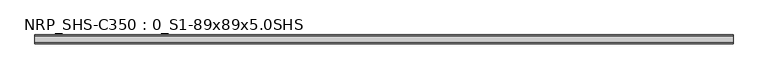
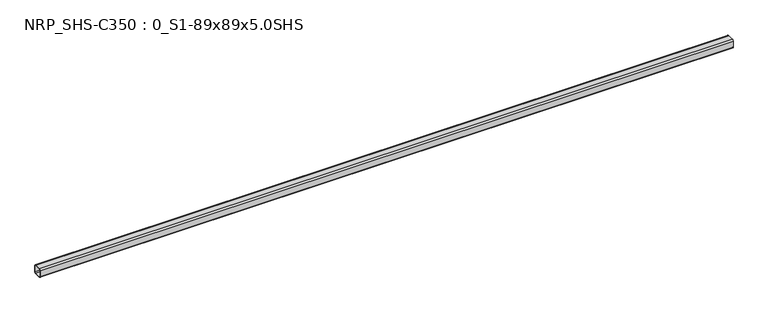
"""IFC4 building model written with IfcOpenShell, lengths in millimetres: beam geometry, NRP_SHS-C350 : 0_S1-89x89x5.0SHS."""

from ifc_helpers import new_model, si_unit, point, frame, frame_2d, origin, place, context, project, spatial, polyline, circle_curve, trimmed, segment, composite_curve, outline, extrude, source, transform, mapped, element, save


def nrp_shs_c350_0_s1_89x89x5_0shs_25bd3723(model_context):
    return source(origin(), model_context, "Body", "SweptSolid", [
        extrude(outline(composite_curve([segment(trimmed(circle_curve(frame_2d((-32.0, 32.0)), 12.5), [point((-44.5, 32.0))], [point((-32.0, 44.5))], False, "CARTESIAN"), True, "CONTINUOUS"), segment(polyline([(-32.0, 44.5), (32.0, 44.5)]), True, "CONTINUOUS"), segment(trimmed(circle_curve(frame_2d((32.0, 32.0)), 12.5), [point((32.0, 44.5))], [point((44.5, 32.0))], False, "CARTESIAN"), True, "CONTINUOUS"), segment(polyline([(44.5, 32.0), (44.5, -32.0)]), True, "CONTINUOUS"), segment(trimmed(circle_curve(frame_2d((32.0, -32.0)), 12.5), [point((44.5, -32.0))], [point((32.0, -44.5))], False, "CARTESIAN"), True, "CONTINUOUS"), segment(polyline([(32.0, -44.5), (-32.0, -44.5)]), True, "CONTINUOUS"), segment(trimmed(circle_curve(frame_2d((-32.0, -32.0)), 12.5), [point((-32.0, -44.5))], [point((-44.5, -32.0))], False, "CARTESIAN"), True, "CONTINUOUS"), segment(polyline([(-44.5, -32.0), (-44.5, 32.0)]), True, "CONTINUOUS")], self_intersect=False), holes=[composite_curve([segment(polyline([(32.0, 39.5), (-32.0, 39.5)]), True, "CONTINUOUS"), segment(trimmed(circle_curve(frame_2d((-32.0, 32.0)), 7.5), [point((-32.0, 39.5))], [point((-39.5, 32.0))], True, "CARTESIAN"), True, "CONTINUOUS"), segment(polyline([(-39.5, 32.0), (-39.5, -32.0)]), True, "CONTINUOUS"), segment(trimmed(circle_curve(frame_2d((-32.0, -32.0)), 7.5), [point((-39.5, -32.0))], [point((-32.0, -39.5))], True, "CARTESIAN"), True, "CONTINUOUS"), segment(polyline([(-32.0, -39.5), (32.0, -39.5)]), True, "CONTINUOUS"), segment(trimmed(circle_curve(frame_2d((32.0, -32.0)), 7.5), [point((32.0, -39.5))], [point((39.5, -32.0))], True, "CARTESIAN"), True, "CONTINUOUS"), segment(polyline([(39.5, -32.0), (39.5, 32.0)]), True, "CONTINUOUS"), segment(trimmed(circle_curve(frame_2d((32.0, 32.0)), 7.5), [point((39.5, 32.0))], [point((32.0, 39.5))], True, "CARTESIAN"), True, "CONTINUOUS")], self_intersect=False)]), frame((-3439.0, 0.0, 0.0), z_axis=(1.0, 0.0, 0.0), x_axis=(0.0, 1.0, 0.0)), (0.0, 0.0, 1.0), 6932.0),
    ])


if __name__ == "__main__":
    model = new_model("IFC4")
    model_context = context("Model", 3, world=origin())
    ifc_project = project(units=[si_unit("LENGTHUNIT", "METRE", prefix="MILLI")], contexts=[model_context])
    site = spatial("IfcSite", under=ifc_project)
    building = spatial("IfcBuilding", under=site)
    placement = place(None, origin())
    nrp_shs_c350_0_s1_89x89x5_0shs_shape = nrp_shs_c350_0_s1_89x89x5_0shs_25bd3723(model_context)
    element("IfcBeam", 1, ObjectType="NRP_SHS-C350 : 0_S1-89x89x5.0SHS", at=placement, inside=building, context=model_context, shape_type="MappedRepresentation", body=[
        mapped(nrp_shs_c350_0_s1_89x89x5_0shs_shape, transform((0.0, 0.0, 0.0), x_axis=(1.0, 0.0, 0.0), y_axis=(0.0, 1.0, 0.0), z_axis=(0.0, 0.0, 1.0))),
    ])
    save(model, "model.ifc")
